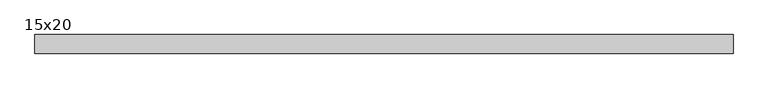
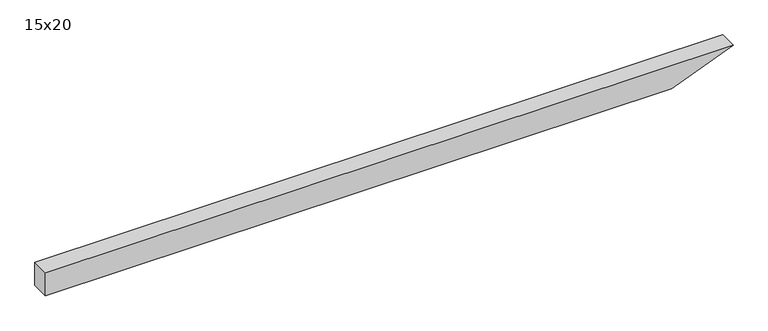
"""IFC4 building model written with IfcOpenShell, lengths in millimetres: beam geometry, 15x20."""

from ifc_helpers import new_model, si_unit, frame, origin, place, context, project, spatial, polyline, outline, extrude, source, transform, mapped, element, save


def beam_15x20_d195acb4(model_context):
    return source(origin(), model_context, "Body", "SweptSolid", [
        extrude(outline(polyline([(100.0, -2656.5), (-100.0, -2656.5), (-100.0, 2467.3), (100.0, 2969.5), (100.0, -2656.5)])), frame((0.0, -75.0, 0.0), z_axis=(0.0, 1.0, 0.0), x_axis=(0.0, 0.0, 1.0)), (0.0, 0.0, 1.0), 150.0),
    ])


if __name__ == "__main__":
    model = new_model("IFC4")
    model_context = context("Model", 3, world=origin())
    ifc_project = project(units=[si_unit("LENGTHUNIT", "METRE", prefix="MILLI")], contexts=[model_context])
    site = spatial("IfcSite", under=ifc_project)
    building = spatial("IfcBuilding", under=site)
    placement = place(None, origin())
    beam_15x20_shape = beam_15x20_d195acb4(model_context)
    element("IfcBeam", 1, ObjectType="15x20", at=placement, inside=building, context=model_context, shape_type="MappedRepresentation", body=[
        mapped(beam_15x20_shape, transform((0.0, 0.0, 0.0), x_axis=(1.0, 0.0, 0.0), y_axis=(0.0, 1.0, 0.0), z_axis=(0.0, 0.0, 1.0))),
    ])
    save(model, "model.ifc")
